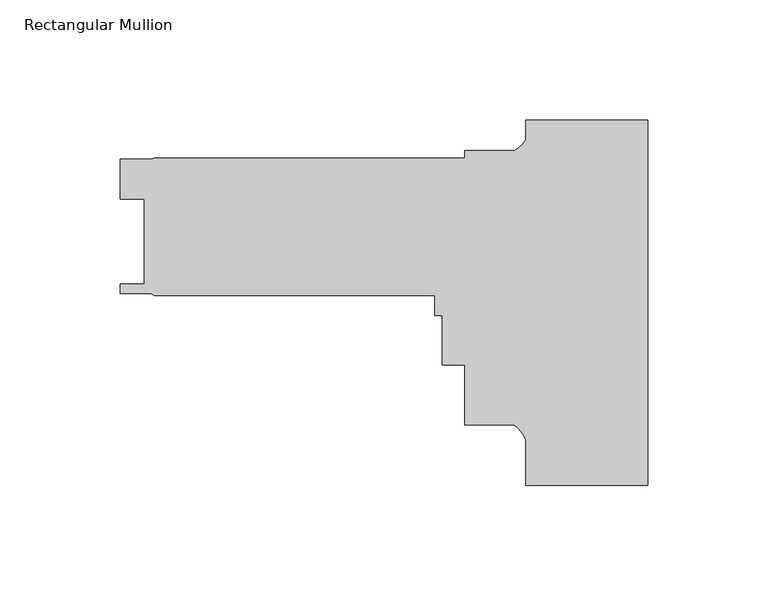
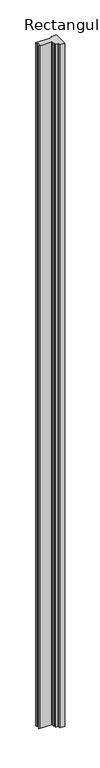
"""IFC4 building model written with IfcOpenShell, lengths in millimetres: member geometry, Rectangular Mullion."""

import ifcopenshell
import ifcopenshell.guid

model = None  # the IFC model being written
_history = None  # IfcOwnerHistory: only IFC2X3 demands one
_inside = {}  # id of a spatial element -> (the spatial element, [elements in it])
_under = {}  # id of a project, library or spatial element -> (it, [spatial elements below it])
_declared = {}  # id of a project -> (the project, [libraries it declares])
_typed = {}  # id of a type object -> (the type object, [elements of that type])
_made_of = {}  # id of a material, layer set ... -> (it, [elements and type objects made of it])


def new_model(schema):
    """Start an empty IFC model of exactly this schema.

    Asked for "IFC4X3", IfcOpenShell would pick the latest addendum, in which some entities
    have other attributes; the version numbers below select the first issue.
    IFC2X3 requires an IfcOwnerHistory on every rooted entity: one is made here for all.
    """
    global model, _history
    if schema == "IFC4X3":
        model = ifcopenshell.file(schema_version=(4, 3, 0, 0))
    else:
        model = ifcopenshell.file(schema=schema)
    _inside.clear()
    _under.clear()
    _declared.clear()
    _typed.clear()
    _made_of.clear()
    _history = None
    if model.schema == "IFC2X3":
        org = make("IfcOrganization", Name="unknown")
        user = make(
            "IfcPersonAndOrganization",
            ThePerson=make("IfcPerson", FamilyName="unknown"),
            TheOrganization=org,
        )
        app = make(
            "IfcApplication",
            ApplicationDeveloper=org,
            Version="unknown",
            ApplicationFullName="unknown",
            ApplicationIdentifier="unknown",
        )
        _history = make(
            "IfcOwnerHistory",
            OwningUser=user,
            OwningApplication=app,
            ChangeAction="ADDED",
            CreationDate=0,
        )
    return model


def make(cls, **values):
    """One entity of the class cls with the attributes given. An attribute that is None is left unset."""
    return model.create_entity(
        cls, **{name: value for name, value in values.items() if value is not None}
    )


def rooted(cls, **values):
    """An entity with a GlobalId (a new one), such as an element, a storey or a relation."""
    return make(cls, GlobalId=ifcopenshell.guid.new(), OwnerHistory=_history, **values)


def si_unit(unit_type, name, prefix=None):
    """IfcSIUnit, for example si_unit("LENGTHUNIT", "METRE", prefix="MILLI")."""
    return make("IfcSIUnit", UnitType=unit_type, Prefix=prefix, Name=name)


def assignment(units):
    """IfcUnitAssignment: the units of a project."""
    return None if units is None else make("IfcUnitAssignment", Units=units)


def point(xyz):
    """IfcCartesianPoint."""
    return None if xyz is None else make("IfcCartesianPoint", Coordinates=xyz)


def direction(xyz):
    """IfcDirection."""
    return None if xyz is None else make("IfcDirection", DirectionRatios=xyz)


def frame(location, z_axis=None, x_axis=None):
    """IfcAxis2Placement3D, a coordinate frame: its origin and axes. An axis left out is left unset."""
    return make(
        "IfcAxis2Placement3D",
        Location=point(location),
        Axis=direction(z_axis),
        RefDirection=direction(x_axis),
    )


def frame_2d(location, x_axis=None):
    """IfcAxis2Placement2D, a coordinate frame in the plane: its origin and x axis."""
    return make(
        "IfcAxis2Placement2D", Location=point(location), RefDirection=direction(x_axis)
    )


def origin():
    """The frame at (0, 0, 0) with its axes left unset."""
    return frame((0.0, 0.0, 0.0))


def place(relative_to, where):
    """IfcLocalPlacement: puts the frame where relative to a parent placement (None: the world)."""
    return make(
        "IfcLocalPlacement", PlacementRelTo=relative_to, RelativePlacement=where
    )


def context(
    kind, dimensions, precision=None, world=None, true_north=None, identifier=None
):
    """IfcGeometricRepresentationContext, for example the 3D "Model" context."""
    return make(
        "IfcGeometricRepresentationContext",
        ContextIdentifier=identifier,
        ContextType=kind,
        CoordinateSpaceDimension=dimensions,
        Precision=precision,
        WorldCoordinateSystem=world,
        TrueNorth=true_north,
    )


def project(units=None, contexts=None):
    """IfcProject with its units and contexts."""
    return rooted(
        "IfcProject",
        Name="project",
        RepresentationContexts=contexts,
        UnitsInContext=assignment(units),
    )


def spatial(cls, under=None, at=None, **own):
    """A site, building, storey or space (cls), placed at a placement, below another one or the project."""
    s = rooted(cls, ObjectPlacement=at, **own)
    if under is not None:
        _under.setdefault(under.id(), (under, []))[1].append(s)
    return s


def polyline(points):
    """IfcPolyline through the points."""
    return make("IfcPolyline", Points=[point(p) for p in points])


def circle_curve(where, radius):
    """IfcCircle in the frame where."""
    return make("IfcCircle", Position=where, Radius=radius)


def trimmed(basis, trim1, trim2, sense, master):
    """IfcTrimmedCurve: the piece of a basis curve between two trims."""
    return make(
        "IfcTrimmedCurve",
        BasisCurve=basis,
        Trim1=trim1,
        Trim2=trim2,
        SenseAgreement=sense,
        MasterRepresentation=master,
    )


def segment(curve, same_sense, transition):
    """IfcCompositeCurveSegment."""
    return make(
        "IfcCompositeCurveSegment",
        Transition=transition,
        SameSense=same_sense,
        ParentCurve=curve,
    )


def composite_curve(segments, self_intersect=None):
    """IfcCompositeCurve: segments joined end to end."""
    return make("IfcCompositeCurve", Segments=segments, SelfIntersect=self_intersect)


def outline(outer, holes=None, kind="AREA"):
    """IfcArbitraryClosedProfileDef: a profile drawn as a closed curve; with holes, ...WithVoids."""
    if holes is None:
        return make("IfcArbitraryClosedProfileDef", ProfileType=kind, OuterCurve=outer)
    return make(
        "IfcArbitraryProfileDefWithVoids",
        ProfileType=kind,
        OuterCurve=outer,
        InnerCurves=holes,
    )


def extrude(swept, where, along, depth):
    """IfcExtrudedAreaSolid: the profile swept, set in the frame where, extruded along a direction by depth."""
    return make(
        "IfcExtrudedAreaSolid",
        SweptArea=swept,
        Position=where,
        ExtrudedDirection=direction(along),
        Depth=depth,
    )


def shape(context_of_items, identifier, shape_type, items):
    """IfcShapeRepresentation: the items that make up one representation, for example the "Body"."""
    return make(
        "IfcShapeRepresentation",
        ContextOfItems=context_of_items,
        RepresentationIdentifier=identifier,
        RepresentationType=shape_type,
        Items=items,
    )


def source(mapping_origin, context_of_items, identifier, shape_type, items):
    """IfcRepresentationMap: a shape defined once, which mapped items show again and again."""
    return make(
        "IfcRepresentationMap",
        MappingOrigin=mapping_origin,
        MappedRepresentation=shape(context_of_items, identifier, shape_type, items),
    )


def transform(
    local_origin,
    x_axis=None,
    y_axis=None,
    z_axis=None,
    scale=None,
    scale2=None,
    scale3=None,
    uniform=True,
):
    """IfcCartesianTransformationOperator3D, or its non-uniform kind. x_axis, y_axis, z_axis: its Axis1, 2, 3."""
    if uniform:
        return make(
            "IfcCartesianTransformationOperator3D",
            Axis1=direction(x_axis),
            Axis2=direction(y_axis),
            LocalOrigin=point(local_origin),
            Scale=scale,
            Axis3=direction(z_axis),
        )
    return make(
        "IfcCartesianTransformationOperator3DnonUniform",
        Axis1=direction(x_axis),
        Axis2=direction(y_axis),
        LocalOrigin=point(local_origin),
        Scale=scale,
        Axis3=direction(z_axis),
        Scale2=scale2,
        Scale3=scale3,
    )


def mapped(mapping_source, mapping_target):
    """IfcMappedItem: shows the shape of a source again, moved by a transform."""
    return make(
        "IfcMappedItem", MappingSource=mapping_source, MappingTarget=mapping_target
    )


def made_of(thing, what):
    """Note that an element or type object is made of a material, layer set ...; save() writes the relation."""
    if what is not None:
        _made_of.setdefault(what.id(), (what, []))[1].append(thing)
    return thing


def element(
    cls,
    number,
    at=None,
    inside=None,
    cuts=None,
    type_object=None,
    material=None,
    context=None,
    identifier="Body",
    shape_type=None,
    held_by="IfcProductDefinitionShape",
    body=None,
    shapes=None,
    **own,
):
    """One element of the class cls, such as IfcWall. Its Tag is "e" and its number.

    at: its placement. inside: the storey or other place that contains it. cuts: it is an
    opening in that element (IfcRelVoidsElement). A single representation is given by context,
    identifier, shape_type and body (its items); several are given by shapes. held_by: the class
    of the entity that holds the representations. save() writes the other relations.
    """
    e = rooted(cls, Tag="e%d" % number, ObjectPlacement=at, **own)
    if body is not None:
        shapes = [shape(context, identifier, shape_type, body)]
    if shapes is not None:
        e.Representation = make(held_by, Representations=shapes)
    if inside is not None:
        _inside.setdefault(inside.id(), (inside, []))[1].append(e)
    if cuts is not None:
        rooted(
            "IfcRelVoidsElement", RelatingBuildingElement=cuts, RelatedOpeningElement=e
        )
    if type_object is not None:
        _typed.setdefault(type_object.id(), (type_object, []))[1].append(e)
    return made_of(e, material)


def aggregate(whole, parts):
    """IfcRelAggregates: a whole, such as a stair, and the parts it consists of."""
    return rooted("IfcRelAggregates", RelatingObject=whole, RelatedObjects=parts)


def save(model, path):
    """Write the relations noted so far, then the file.

    IfcRelAggregates (storeys below a building ...), IfcRelContainedInSpatialStructure (elements
    in a storey), IfcRelDefinesByType, IfcRelAssociatesMaterial and IfcRelDeclares: one each for
    every whole, place, type object, material and project.
    """
    for whole, parts in _under.values():
        aggregate(whole, parts)
    for where, things in _inside.values():
        rooted(
            "IfcRelContainedInSpatialStructure",
            RelatedElements=things,
            RelatingStructure=where,
        )
    for kind, things in _typed.values():
        rooted("IfcRelDefinesByType", RelatedObjects=things, RelatingType=kind)
    for what, things in _made_of.values():
        rooted("IfcRelAssociatesMaterial", RelatedObjects=things, RelatingMaterial=what)
    for by, libraries in _declared.values():
        rooted("IfcRelDeclares", RelatingContext=by, RelatedDefinitions=libraries)
    model.write(path)


def rectangular_mullion_7026778d(model_context):
    return source(origin(), model_context, "Body", "SweptSolid", [
        extrude(outline(composite_curve([segment(polyline([(0.0, -152.4), (-50.8, -152.4), (-50.8, -133.3108371)]), True, "CONTINUOUS"), segment(trimmed(circle_curve(frame_2d((-64.9144624, -139.3639521)), 15.3576772), [point((-50.8, -133.3108371))], [point((-55.6934851, -127.0825911))], True, "CARTESIAN"), True, "CONTINUOUS"), segment(polyline([(-55.6934851, -127.0825911), (-76.1999898, -127.0825911), (-76.1999898, -102.0381911), (-85.7249898, -102.0381911), (-85.7249898, -81.4133911), (-88.8999898, -81.4133911), (-88.8999898, -73.1075911), (-205.5812398, -73.1075911), (-207.0499589, -72.2596258), (-219.8687398, -72.3138411), (-219.8687398, -68.3450911), (-209.8230398, -68.3450911), (-209.8230398, -33.0771909), (-219.8560396, -33.0771909), (-219.8560396, -16.414791), (-206.8373862, -16.414791), (-205.5812398, -15.9575911), (-76.1999898, -15.9575911), (-76.1999898, -12.7825911), (-55.7723453, -12.7825911)]), True, "CONTINUOUS"), segment(trimmed(circle_curve(frame_2d((-62.7094465, -0.206928)), 14.3621265), [point((-55.7723453, -12.7825911))], [point((-50.8, -8.2341168))], True, "CARTESIAN"), True, "CONTINUOUS"), segment(polyline([(-50.8, -8.2341168), (-50.8, 0.0), (0.0, 0.0), (0.0, -152.4)]), True, "CONTINUOUS")], self_intersect=False)), frame((0.0, 0.0, -7467.6), z_axis=(0.0, 0.0, 1.0), x_axis=(1.0, 0.0, 0.0)), (0.0, 0.0, 1.0), 7467.6),
    ])


if __name__ == "__main__":
    model = new_model("IFC4")
    model_context = context("Model", 3, world=origin())
    ifc_project = project(units=[si_unit("LENGTHUNIT", "METRE", prefix="MILLI")], contexts=[model_context])
    site = spatial("IfcSite", under=ifc_project)
    building = spatial("IfcBuilding", under=site)
    placement = place(None, origin())
    rectangular_mullion_shape = rectangular_mullion_7026778d(model_context)
    element("IfcMember", 1, ObjectType="Rectangular Mullion", at=placement, inside=building, context=model_context, shape_type="MappedRepresentation", body=[
        mapped(rectangular_mullion_shape, transform((0.0, 0.0, 0.0), x_axis=(1.0, 0.0, 0.0), y_axis=(0.0, 1.0, 0.0), z_axis=(0.0, 0.0, 1.0))),
    ])
    save(model, "model.ifc")
